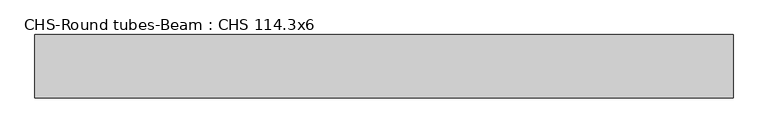
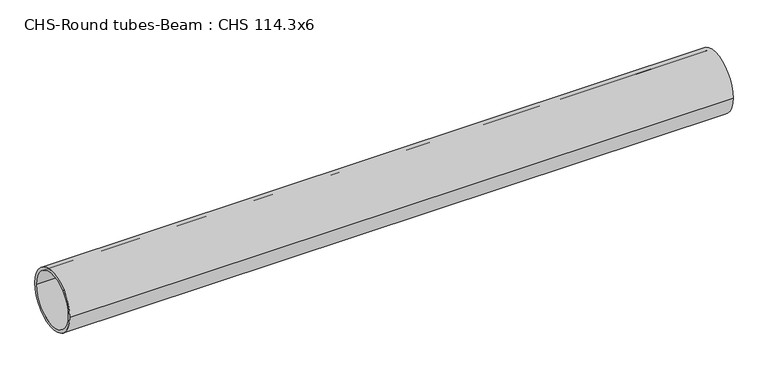
"""IFC4 building model written with IfcOpenShell, lengths in millimetres: beam geometry, CHS-Round tubes-Beam : CHS 114.3x6."""

from ifc_helpers import new_model, si_unit, point, frame, origin, origin_2d, place, context, project, spatial, circle_curve, trimmed, segment, composite_curve, outline, extrude, source, transform, mapped, element, save


def chs_round_tubes_beam_chs_114_3x6_1c56df87(model_context):
    return source(origin(), model_context, "Body", "SweptSolid", [
        extrude(outline(composite_curve([segment(trimmed(circle_curve(origin_2d(), 57.15), [point((57.15, 0.0))], [point((-57.15, 0.0))], False, "CARTESIAN"), True, "CONTINUOUS"), segment(trimmed(circle_curve(origin_2d(), 57.15), [point((-57.15, 0.0))], [point((57.15, 0.0))], False, "CARTESIAN"), True, "CONTINUOUS")], self_intersect=False), holes=[composite_curve([segment(trimmed(circle_curve(origin_2d(), 51.15), [point((51.15, 0.0))], [point((-51.15, 0.0))], True, "CARTESIAN"), True, "CONTINUOUS"), segment(trimmed(circle_curve(origin_2d(), 51.15), [point((-51.15, 0.0))], [point((51.15, 0.0))], True, "CARTESIAN"), True, "CONTINUOUS")], self_intersect=False)]), frame((-627.6387657, 0.0, 0.0), z_axis=(1.0, 0.0, 0.0), x_axis=(0.0, 1.0, 0.0)), (0.0, 0.0, 1.0), 1255.2781447),
    ])


if __name__ == "__main__":
    model = new_model("IFC4")
    model_context = context("Model", 3, world=origin())
    ifc_project = project(units=[si_unit("LENGTHUNIT", "METRE", prefix="MILLI")], contexts=[model_context])
    site = spatial("IfcSite", under=ifc_project)
    building = spatial("IfcBuilding", under=site)
    placement = place(None, origin())
    chs_round_tubes_beam_chs_114_3x6_shape = chs_round_tubes_beam_chs_114_3x6_1c56df87(model_context)
    element("IfcBeam", 1, ObjectType="CHS-Round tubes-Beam : CHS 114.3x6", at=placement, inside=building, context=model_context, shape_type="MappedRepresentation", body=[
        mapped(chs_round_tubes_beam_chs_114_3x6_shape, transform((0.0, 0.0, 0.0), x_axis=(1.0, 0.0, 0.0), y_axis=(0.0, 1.0, 0.0), z_axis=(0.0, 0.0, 1.0))),
    ])
    save(model, "model.ifc")
